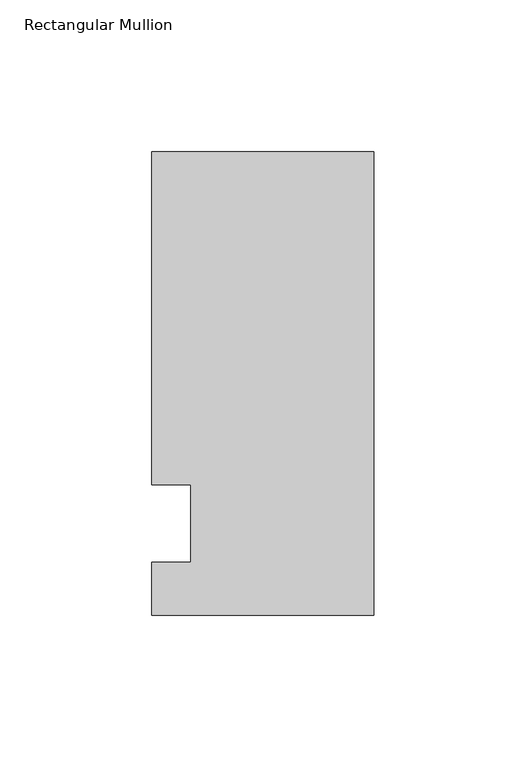
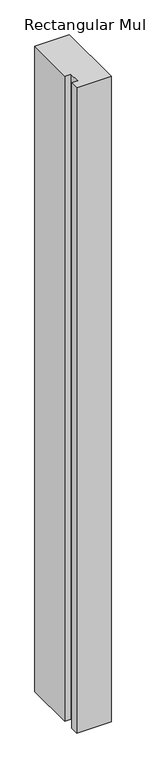
"""IFC4 building model written with IfcOpenShell, lengths in millimetres: member geometry, Rectangular Mullion."""

import ifcopenshell
import ifcopenshell.guid

model = None  # the IFC model being written
_history = None  # IfcOwnerHistory: only IFC2X3 demands one
_inside = {}  # id of a spatial element -> (the spatial element, [elements in it])
_under = {}  # id of a project, library or spatial element -> (it, [spatial elements below it])
_declared = {}  # id of a project -> (the project, [libraries it declares])
_typed = {}  # id of a type object -> (the type object, [elements of that type])
_made_of = {}  # id of a material, layer set ... -> (it, [elements and type objects made of it])


def new_model(schema):
    """Start an empty IFC model of exactly this schema.

    Asked for "IFC4X3", IfcOpenShell would pick the latest addendum, in which some entities
    have other attributes; the version numbers below select the first issue.
    IFC2X3 requires an IfcOwnerHistory on every rooted entity: one is made here for all.
    """
    global model, _history
    if schema == "IFC4X3":
        model = ifcopenshell.file(schema_version=(4, 3, 0, 0))
    else:
        model = ifcopenshell.file(schema=schema)
    _inside.clear()
    _under.clear()
    _declared.clear()
    _typed.clear()
    _made_of.clear()
    _history = None
    if model.schema == "IFC2X3":
        org = make("IfcOrganization", Name="unknown")
        user = make(
            "IfcPersonAndOrganization",
            ThePerson=make("IfcPerson", FamilyName="unknown"),
            TheOrganization=org,
        )
        app = make(
            "IfcApplication",
            ApplicationDeveloper=org,
            Version="unknown",
            ApplicationFullName="unknown",
            ApplicationIdentifier="unknown",
        )
        _history = make(
            "IfcOwnerHistory",
            OwningUser=user,
            OwningApplication=app,
            ChangeAction="ADDED",
            CreationDate=0,
        )
    return model


def make(cls, **values):
    """One entity of the class cls with the attributes given. An attribute that is None is left unset."""
    return model.create_entity(
        cls, **{name: value for name, value in values.items() if value is not None}
    )


def rooted(cls, **values):
    """An entity with a GlobalId (a new one), such as an element, a storey or a relation."""
    return make(cls, GlobalId=ifcopenshell.guid.new(), OwnerHistory=_history, **values)


def si_unit(unit_type, name, prefix=None):
    """IfcSIUnit, for example si_unit("LENGTHUNIT", "METRE", prefix="MILLI")."""
    return make("IfcSIUnit", UnitType=unit_type, Prefix=prefix, Name=name)


def assignment(units):
    """IfcUnitAssignment: the units of a project."""
    return None if units is None else make("IfcUnitAssignment", Units=units)


def point(xyz):
    """IfcCartesianPoint."""
    return None if xyz is None else make("IfcCartesianPoint", Coordinates=xyz)


def direction(xyz):
    """IfcDirection."""
    return None if xyz is None else make("IfcDirection", DirectionRatios=xyz)


def frame(location, z_axis=None, x_axis=None):
    """IfcAxis2Placement3D, a coordinate frame: its origin and axes. An axis left out is left unset."""
    return make(
        "IfcAxis2Placement3D",
        Location=point(location),
        Axis=direction(z_axis),
        RefDirection=direction(x_axis),
    )


def origin():
    """The frame at (0, 0, 0) with its axes left unset."""
    return frame((0.0, 0.0, 0.0))


def place(relative_to, where):
    """IfcLocalPlacement: puts the frame where relative to a parent placement (None: the world)."""
    return make(
        "IfcLocalPlacement", PlacementRelTo=relative_to, RelativePlacement=where
    )


def context(
    kind, dimensions, precision=None, world=None, true_north=None, identifier=None
):
    """IfcGeometricRepresentationContext, for example the 3D "Model" context."""
    return make(
        "IfcGeometricRepresentationContext",
        ContextIdentifier=identifier,
        ContextType=kind,
        CoordinateSpaceDimension=dimensions,
        Precision=precision,
        WorldCoordinateSystem=world,
        TrueNorth=true_north,
    )


def project(units=None, contexts=None):
    """IfcProject with its units and contexts."""
    return rooted(
        "IfcProject",
        Name="project",
        RepresentationContexts=contexts,
        UnitsInContext=assignment(units),
    )


def spatial(cls, under=None, at=None, **own):
    """A site, building, storey or space (cls), placed at a placement, below another one or the project."""
    s = rooted(cls, ObjectPlacement=at, **own)
    if under is not None:
        _under.setdefault(under.id(), (under, []))[1].append(s)
    return s


def polyline(points):
    """IfcPolyline through the points."""
    return make("IfcPolyline", Points=[point(p) for p in points])


def outline(outer, holes=None, kind="AREA"):
    """IfcArbitraryClosedProfileDef: a profile drawn as a closed curve; with holes, ...WithVoids."""
    if holes is None:
        return make("IfcArbitraryClosedProfileDef", ProfileType=kind, OuterCurve=outer)
    return make(
        "IfcArbitraryProfileDefWithVoids",
        ProfileType=kind,
        OuterCurve=outer,
        InnerCurves=holes,
    )


def extrude(swept, where, along, depth):
    """IfcExtrudedAreaSolid: the profile swept, set in the frame where, extruded along a direction by depth."""
    return make(
        "IfcExtrudedAreaSolid",
        SweptArea=swept,
        Position=where,
        ExtrudedDirection=direction(along),
        Depth=depth,
    )


def shape(context_of_items, identifier, shape_type, items):
    """IfcShapeRepresentation: the items that make up one representation, for example the "Body"."""
    return make(
        "IfcShapeRepresentation",
        ContextOfItems=context_of_items,
        RepresentationIdentifier=identifier,
        RepresentationType=shape_type,
        Items=items,
    )


def source(mapping_origin, context_of_items, identifier, shape_type, items):
    """IfcRepresentationMap: a shape defined once, which mapped items show again and again."""
    return make(
        "IfcRepresentationMap",
        MappingOrigin=mapping_origin,
        MappedRepresentation=shape(context_of_items, identifier, shape_type, items),
    )


def transform(
    local_origin,
    x_axis=None,
    y_axis=None,
    z_axis=None,
    scale=None,
    scale2=None,
    scale3=None,
    uniform=True,
):
    """IfcCartesianTransformationOperator3D, or its non-uniform kind. x_axis, y_axis, z_axis: its Axis1, 2, 3."""
    if uniform:
        return make(
            "IfcCartesianTransformationOperator3D",
            Axis1=direction(x_axis),
            Axis2=direction(y_axis),
            LocalOrigin=point(local_origin),
            Scale=scale,
            Axis3=direction(z_axis),
        )
    return make(
        "IfcCartesianTransformationOperator3DnonUniform",
        Axis1=direction(x_axis),
        Axis2=direction(y_axis),
        LocalOrigin=point(local_origin),
        Scale=scale,
        Axis3=direction(z_axis),
        Scale2=scale2,
        Scale3=scale3,
    )


def mapped(mapping_source, mapping_target):
    """IfcMappedItem: shows the shape of a source again, moved by a transform."""
    return make(
        "IfcMappedItem", MappingSource=mapping_source, MappingTarget=mapping_target
    )


def made_of(thing, what):
    """Note that an element or type object is made of a material, layer set ...; save() writes the relation."""
    if what is not None:
        _made_of.setdefault(what.id(), (what, []))[1].append(thing)
    return thing


def element(
    cls,
    number,
    at=None,
    inside=None,
    cuts=None,
    type_object=None,
    material=None,
    context=None,
    identifier="Body",
    shape_type=None,
    held_by="IfcProductDefinitionShape",
    body=None,
    shapes=None,
    **own,
):
    """One element of the class cls, such as IfcWall. Its Tag is "e" and its number.

    at: its placement. inside: the storey or other place that contains it. cuts: it is an
    opening in that element (IfcRelVoidsElement). A single representation is given by context,
    identifier, shape_type and body (its items); several are given by shapes. held_by: the class
    of the entity that holds the representations. save() writes the other relations.
    """
    e = rooted(cls, Tag="e%d" % number, ObjectPlacement=at, **own)
    if body is not None:
        shapes = [shape(context, identifier, shape_type, body)]
    if shapes is not None:
        e.Representation = make(held_by, Representations=shapes)
    if inside is not None:
        _inside.setdefault(inside.id(), (inside, []))[1].append(e)
    if cuts is not None:
        rooted(
            "IfcRelVoidsElement", RelatingBuildingElement=cuts, RelatedOpeningElement=e
        )
    if type_object is not None:
        _typed.setdefault(type_object.id(), (type_object, []))[1].append(e)
    return made_of(e, material)


def aggregate(whole, parts):
    """IfcRelAggregates: a whole, such as a stair, and the parts it consists of."""
    return rooted("IfcRelAggregates", RelatingObject=whole, RelatedObjects=parts)


def save(model, path):
    """Write the relations noted so far, then the file.

    IfcRelAggregates (storeys below a building ...), IfcRelContainedInSpatialStructure (elements
    in a storey), IfcRelDefinesByType, IfcRelAssociatesMaterial and IfcRelDeclares: one each for
    every whole, place, type object, material and project.
    """
    for whole, parts in _under.values():
        aggregate(whole, parts)
    for where, things in _inside.values():
        rooted(
            "IfcRelContainedInSpatialStructure",
            RelatedElements=things,
            RelatingStructure=where,
        )
    for kind, things in _typed.values():
        rooted("IfcRelDefinesByType", RelatedObjects=things, RelatingType=kind)
    for what, things in _made_of.values():
        rooted("IfcRelAssociatesMaterial", RelatedObjects=things, RelatingMaterial=what)
    for by, libraries in _declared.values():
        rooted("IfcRelDeclares", RelatingContext=by, RelatedDefinitions=libraries)
    model.write(path)


def rectangular_mullion_7dcebafa(model_context):
    return source(origin(), model_context, "Body", "SweptSolid", [
        extrude(outline(polyline([(-73.025, 122.2375), (0.0, 122.2375), (0.0, -30.1625), (-73.025, -30.1625), (-73.025, -12.7), (-60.3232296, -12.7), (-60.3232296, 12.7), (-73.025, 12.7), (-73.025, 122.2375)])), frame((0.0, 0.0, -1443.5666667), z_axis=(0.0, 0.0, 1.0), x_axis=(1.0, 0.0, 0.0)), (0.0, 0.0, 1.0), 1443.5666667),
    ])


if __name__ == "__main__":
    model = new_model("IFC4")
    model_context = context("Model", 3, world=origin())
    ifc_project = project(units=[si_unit("LENGTHUNIT", "METRE", prefix="MILLI")], contexts=[model_context])
    site = spatial("IfcSite", under=ifc_project)
    building = spatial("IfcBuilding", under=site)
    placement = place(None, origin())
    rectangular_mullion_shape = rectangular_mullion_7dcebafa(model_context)
    element("IfcMember", 1, ObjectType="Rectangular Mullion", at=placement, inside=building, context=model_context, shape_type="MappedRepresentation", body=[
        mapped(rectangular_mullion_shape, transform((0.0, 0.0, 0.0), x_axis=(1.0, 0.0, 0.0), y_axis=(0.0, 1.0, 0.0), z_axis=(0.0, 0.0, 1.0))),
    ])
    save(model, "model.ifc")
